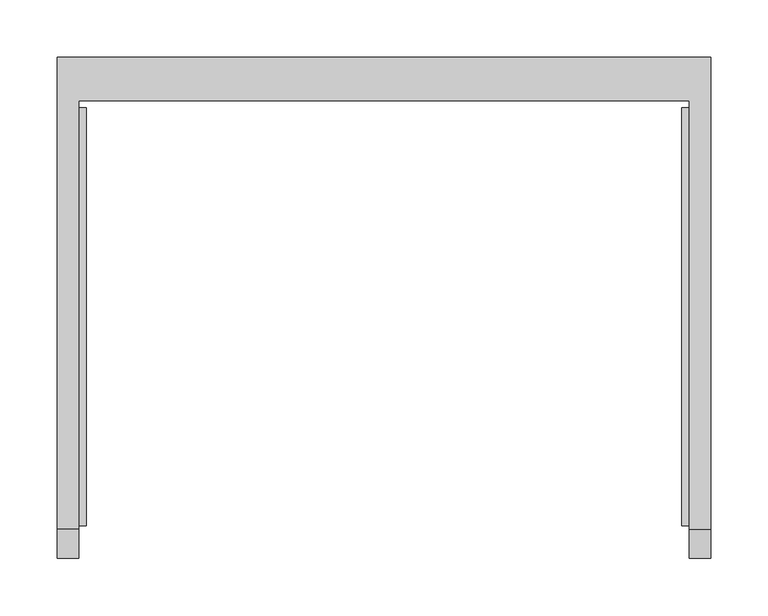
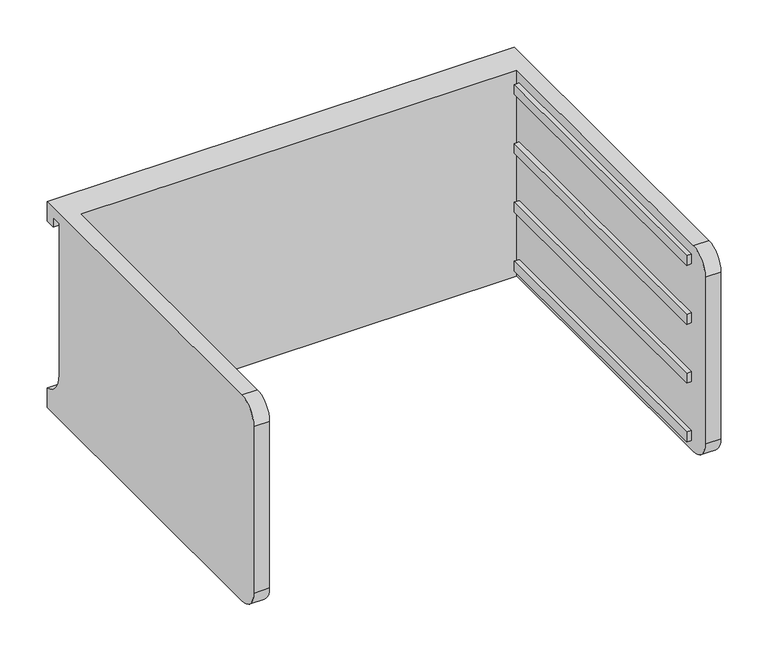
"""IFC4 building model written with IfcOpenShell, lengths in millimetres: furniture geometry."""

from ifc_helpers import new_model, si_unit, frame, origin, place, context, project, spatial, polyline, circle_curve, outline, extrude, source, transform, mapped, element, save
from ifc_brep_helpers import plane_surface, cylinder_surface, revolved_surface, advanced_brep


def furniture_71125f96(model_context):
    return source(origin(), model_context, "Body", "SolidModel", [
        advanced_brep(
        [(-171.7622951, -331.6523397, 794.58566), (-171.7622951, -357.0523397, 769.18566), (-171.7622951, -357.0523397, 553.28566), (-171.7622951, -331.6523397, 527.88566), (-171.7622951, 43.0421197, 527.88566), (-171.7622951, 43.0421197, 794.58566), (-190.8122951, -331.6523397, 527.88566), (-190.8122951, -357.0523397, 553.28566), (-190.8122951, -357.0523397, 769.18566), (-190.8122951, -331.6523397, 794.58566), (-190.8122951, 81.0976603, 794.58566), (-190.8122951, 81.0976603, 769.18566), (-190.8122951, 68.4421197, 769.18566), (-190.8122951, 68.4421197, 781.88566), (-190.8122951, 55.7421197, 781.88566), (-190.8122951, 55.7421197, 585.83068), (-190.8122951, 81.0976603, 553.28566), (-190.8122951, 81.0976603, 527.88566), (380.6877049, 81.0976603, 527.88566), (380.6877049, -331.6523397, 527.88566), (361.6377049, -331.6523397, 527.88566), (361.6377049, 43.0421197, 527.88566), (361.6377049, 43.0421197, 794.58566), (361.6377049, -331.6523397, 794.58566), (380.6877049, -331.6523397, 794.58566), (380.6877049, 81.0976603, 794.58566), (380.6877049, 81.0976603, 553.28566), (380.6877049, 55.7421197, 585.83068), (380.6877049, 55.7421197, 781.88566), (380.6877049, 68.4421197, 781.88566), (380.6877049, 68.4421197, 769.18566), (380.6877049, 81.0976603, 769.18566), (380.6877049, -357.0523397, 769.18566), (380.6877049, -357.0523397, 553.28566), (361.6377049, -357.0523397, 553.28566), (361.6377049, -357.0523397, 769.18566)],
        [
            (0, 1, circle_curve(frame((-171.7622951, -331.6523397, 769.18566), z_axis=(1.0, 0.0, 0.0), x_axis=(0.0, 0.0, 1.0)), 25.4)),
            (1, 2),
            (2, 3, circle_curve(frame((-171.7622951, -331.6523397, 553.28566), z_axis=(1.0, 0.0, 0.0), x_axis=(0.0, 0.0, 1.0)), 25.4)),
            (3, 4),
            (4, 5),
            (5, 0),
            (6, 7, circle_curve(frame((-190.8122951, -331.6523397, 553.28566), z_axis=(-1.0, 0.0, 0.0), x_axis=(0.0, 0.0, 1.0)), 25.4)),
            (7, 8),
            (8, 9, circle_curve(frame((-190.8122951, -331.6523397, 769.18566), z_axis=(-1.0, 0.0, 0.0), x_axis=(0.0, 0.0, 1.0)), 25.4)),
            (9, 10),
            (10, 11),
            (11, 12),
            (12, 13),
            (13, 14),
            (14, 15),
            (15, 16, circle_curve(frame((-190.8122951, 89.3064162, 585.83068), z_axis=(1.0, 0.0, 0.0), x_axis=(0.0, 0.0, 1.0)), 33.5642965)),
            (16, 17),
            (17, 6),
            (0, 9),
            (8, 1),
            (7, 2),
            (6, 3),
            (17, 18),
            (18, 19),
            (19, 20),
            (20, 21),
            (21, 4),
            (5, 22),
            (22, 23),
            (23, 24),
            (24, 25),
            (25, 10),
            (18, 26),
            (26, 27, circle_curve(frame((380.6877049, 89.3064162, 585.83068), z_axis=(-1.0, 0.0, 0.0), x_axis=(0.0, 0.0, 1.0)), 33.5642965)),
            (27, 28),
            (28, 29),
            (29, 30),
            (30, 31),
            (31, 25),
            (24, 32, circle_curve(frame((380.6877049, -331.6523397, 769.18566), z_axis=(1.0, 0.0, 0.0), x_axis=(0.0, 0.0, 1.0)), 25.4)),
            (32, 33),
            (33, 19, circle_curve(frame((380.6877049, -331.6523397, 553.28566), z_axis=(1.0, 0.0, 0.0), x_axis=(0.0, 0.0, 1.0)), 25.4)),
            (16, 26),
            (15, 27),
            (14, 28),
            (13, 29),
            (12, 30),
            (11, 31),
            (21, 22),
            (20, 34, circle_curve(frame((361.6377049, -331.6523397, 553.28566), z_axis=(-1.0, 0.0, 0.0), x_axis=(0.0, 0.0, 1.0)), 25.4)),
            (34, 35),
            (35, 23, circle_curve(frame((361.6377049, -331.6523397, 769.18566), z_axis=(-1.0, 0.0, 0.0), x_axis=(0.0, 0.0, 1.0)), 25.4)),
            (35, 32),
            (34, 33),
        ],
        [
            plane_surface(frame((-171.7622951, -331.6523397, 794.58566), z_axis=(1.0, 0.0, 0.0), x_axis=(0.0, -1.0, 0.0))),
            plane_surface(frame((-190.8122951, -331.6523397, 794.58566), z_axis=(-1.0, 0.0, 0.0), x_axis=(0.0, 1.0, 0.0))),
            cylinder_surface(frame((-190.8122951, -331.6523397, 769.18566), z_axis=(1.0, 0.0, 0.0), x_axis=(0.0, 0.0, 1.0)), 25.4),
            plane_surface(frame((-171.7622951, -357.0523397, 769.18566), z_axis=(0.0, -1.0, 0.0), x_axis=(-1.0, 0.0, 0.0))),
            cylinder_surface(frame((-190.8122951, -331.6523397, 553.28566), z_axis=(1.0, 0.0, 0.0), x_axis=(0.0, 0.0, 1.0)), 25.4),
            plane_surface(frame((-171.7622951, -331.6523397, 527.88566), z_axis=(0.0, 0.0, -1.0), x_axis=(-1.0, 0.0, 0.0))),
            plane_surface(frame((-171.7622951, 43.0421197, 794.58566), z_axis=(0.0, 0.0, 1.0), x_axis=(-1.0, 0.0, 0.0))),
            plane_surface(frame((380.6877049, 81.0976603, 553.28566), z_axis=(1.0, 0.0, 0.0), x_axis=(0.0, 0.0, 1.0))),
            plane_surface(frame((380.6877049, 81.0976603, 527.88566), z_axis=(0.0, 1.0, 0.0), x_axis=(-1.0, 0.0, 0.0))),
            revolved_surface(polyline([(-190.8122951, 89.3064162, 619.3949765), (380.68770489999997, 89.3064162, 619.3949765)]), (-190.8122951, 89.3064162, 585.83068), (-1.0, 0.0, 0.0)),
            plane_surface(frame((380.6877049, 55.7421197, 585.83068), z_axis=(0.0, 1.0, 0.0), x_axis=(-1.0, 0.0, 0.0))),
            plane_surface(frame((380.6877049, 55.7421197, 781.88566), z_axis=(0.0, 0.0, -1.0), x_axis=(-1.0, 0.0, 0.0))),
            plane_surface(frame((380.6877049, 68.4421197, 781.88566), z_axis=(0.0, -1.0, 0.0), x_axis=(-1.0, 0.0, 0.0))),
            plane_surface(frame((380.6877049, 68.4421197, 769.18566), z_axis=(0.0, 0.0, -1.0), x_axis=(-1.0, 0.0, 0.0))),
            plane_surface(frame((380.6877049, 81.0976603, 769.18566), z_axis=(0.0, 1.0, 0.0), x_axis=(-1.0, 0.0, 0.0))),
            plane_surface(frame((380.6877049, 43.0421197, 794.58566), z_axis=(0.0, -1.0, 0.0), x_axis=(-1.0, 0.0, 0.0))),
            plane_surface(frame((361.6377049, -331.6523397, 794.58566), z_axis=(-1.0, 0.0, 0.0), x_axis=(0.0, 1.0, 0.0))),
            cylinder_surface(frame((361.6377049, -331.6523397, 769.18566), z_axis=(1.0, 0.0, 0.0), x_axis=(0.0, 0.0, 1.0)), 25.4),
            plane_surface(frame((380.6877049, -357.0523397, 769.18566), z_axis=(0.0, -1.0, 0.0), x_axis=(-1.0, 0.0, 0.0))),
            cylinder_surface(frame((361.6377049, -331.6523397, 553.28566), z_axis=(1.0, 0.0, 0.0), x_axis=(0.0, 0.0, 1.0)), 25.4),
        ],
        [
            (0, [[1, 2, 3, 4, 5, 6]]),
            (1, [[7, 8, 9, 10, 11, 12, 13, 14, 15, 16, 17, 18]]),
            (2, [[-1, 19, -9, 20]]),
            (3, [[-2, -20, -8, 21]]),
            (4, [[-3, -21, -7, 22]]),
            (5, [[-4, -22, -18, 23, 24, 25, 26, 27]]),
            (6, [[-6, 28, 29, 30, 31, 32, -10, -19]]),
            (7, [[-24, 33, 34, 35, 36, 37, 38, 39, -31, 40, 41, 42]]),
            (8, [[-33, -23, -17, 43]]),
            (9, [[-34, -43, -16, 44]]),
            (10, [[-35, -44, -15, 45]]),
            (11, [[-36, -45, -14, 46]]),
            (12, [[-37, -46, -13, 47]]),
            (13, [[-38, -47, -12, 48]]),
            (14, [[-39, -48, -11, -32]]),
            (15, [[-5, -27, 49, -28]]),
            (16, [[-29, -49, -26, 50, 51, 52]]),
            (17, [[-40, -30, -52, 53]]),
            (18, [[-41, -53, -51, 54]]),
            (19, [[-42, -54, -50, -25]]),
        ],
    ),
        extrude(outline(polyline([(355.2877049, -328.4773397), (355.2877049, 36.6921197), (361.6377049, 36.6921197), (361.6377049, -328.4773397), (355.2877049, -328.4773397)])), frame((0.0, 0.0, 616.78566), z_axis=(0.0, 0.0, 1.0), x_axis=(1.0, 0.0, 0.0)), (0.0, 0.0, 1.0), 12.7),
        extrude(outline(polyline([(355.2877049, -328.4773397), (355.2877049, 36.6921197), (361.6377049, 36.6921197), (361.6377049, -328.4773397), (355.2877049, -328.4773397)])), frame((0.0, 0.0, 692.98566), z_axis=(0.0, 0.0, 1.0), x_axis=(1.0, 0.0, 0.0)), (0.0, 0.0, 1.0), 12.7),
        extrude(outline(polyline([(355.2877049, -328.4773397), (355.2877049, 36.6921197), (361.6377049, 36.6921197), (361.6377049, -328.4773397), (355.2877049, -328.4773397)])), frame((0.0, 0.0, 769.18566), z_axis=(0.0, 0.0, 1.0), x_axis=(1.0, 0.0, 0.0)), (0.0, 0.0, 1.0), 12.7),
        extrude(outline(polyline([(355.2877049, -328.4773397), (355.2877049, 36.6921197), (361.6377049, 36.6921197), (361.6377049, -328.4773397), (355.2877049, -328.4773397)])), frame((0.0, 0.0, 540.58566), z_axis=(0.0, 0.0, 1.0), x_axis=(1.0, 0.0, 0.0)), (0.0, 0.0, 1.0), 12.7),
        extrude(outline(polyline([(-171.7622951, -328.4773397), (-171.7622951, 36.6921197), (-165.4122951, 36.6921197), (-165.4122951, -328.4773397), (-171.7622951, -328.4773397)])), frame((0.0, 0.0, 616.78566), z_axis=(0.0, 0.0, 1.0), x_axis=(1.0, 0.0, 0.0)), (0.0, 0.0, 1.0), 12.7),
        extrude(outline(polyline([(-171.7622951, -328.4773397), (-171.7622951, 36.6921197), (-165.4122951, 36.6921197), (-165.4122951, -328.4773397), (-171.7622951, -328.4773397)])), frame((0.0, 0.0, 692.98566), z_axis=(0.0, 0.0, 1.0), x_axis=(1.0, 0.0, 0.0)), (0.0, 0.0, 1.0), 12.7),
        extrude(outline(polyline([(-171.7622951, -328.4773397), (-171.7622951, 36.6921197), (-165.4122951, 36.6921197), (-165.4122951, -328.4773397), (-171.7622951, -328.4773397)])), frame((0.0, 0.0, 769.18566), z_axis=(0.0, 0.0, 1.0), x_axis=(1.0, 0.0, 0.0)), (0.0, 0.0, 1.0), 12.7),
        extrude(outline(polyline([(-171.7622951, -328.4773397), (-171.7622951, 36.6921197), (-165.4122951, 36.6921197), (-165.4122951, -328.4773397), (-171.7622951, -328.4773397)])), frame((0.0, 0.0, 540.58566), z_axis=(0.0, 0.0, 1.0), x_axis=(1.0, 0.0, 0.0)), (0.0, 0.0, 1.0), 12.7),
    ])


if __name__ == "__main__":
    model = new_model("IFC4")
    model_context = context("Model", 3, world=origin())
    ifc_project = project(units=[si_unit("LENGTHUNIT", "METRE", prefix="MILLI")], contexts=[model_context])
    site = spatial("IfcSite", under=ifc_project)
    building = spatial("IfcBuilding", under=site)
    placement = place(None, origin())
    furniture_shape = furniture_71125f96(model_context)
    element("IfcFurniture", 1, at=placement, inside=building, context=model_context, shape_type="MappedRepresentation", body=[
        mapped(furniture_shape, transform((0.0, 0.0, 0.0), x_axis=(1.0, 0.0, 0.0), y_axis=(0.0, 1.0, 0.0), z_axis=(0.0, 0.0, 1.0))),
    ])
    save(model, "model.ifc")
